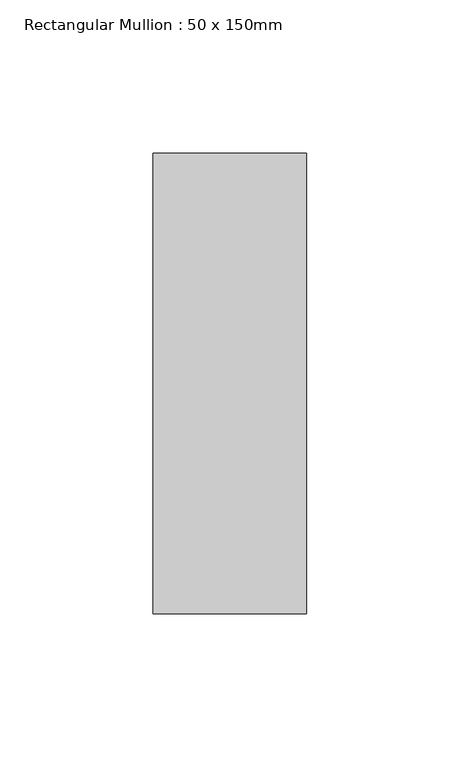
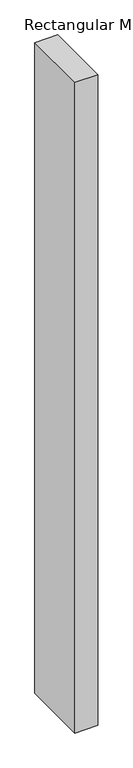
"""IFC4 building model written with IfcOpenShell, lengths in millimetres: member geometry, Rectangular Mullion : 50 x 150mm."""

from ifc_helpers import new_model, si_unit, frame, origin, place, context, project, spatial, polyline, outline, extrude, source, transform, mapped, element, save


def rectangular_mullion_50_x_150mm_821e4662(model_context):
    return source(origin(), model_context, "Body", "SweptSolid", [
        extrude(outline(polyline([(25.0, 75.0), (25.0, -75.0), (-25.0, -75.0), (-25.0, 75.0), (25.0, 75.0)])), frame((0.0, 0.0, -1491.7121727), z_axis=(0.0, 0.0, 1.0), x_axis=(1.0, 0.0, 0.0)), (0.0, 0.0, 1.0), 1491.7121727),
    ])


if __name__ == "__main__":
    model = new_model("IFC4")
    model_context = context("Model", 3, world=origin())
    ifc_project = project(units=[si_unit("LENGTHUNIT", "METRE", prefix="MILLI")], contexts=[model_context])
    site = spatial("IfcSite", under=ifc_project)
    building = spatial("IfcBuilding", under=site)
    placement = place(None, origin())
    rectangular_mullion_50_x_150mm_shape = rectangular_mullion_50_x_150mm_821e4662(model_context)
    element("IfcMember", 1, ObjectType="Rectangular Mullion : 50 x 150mm", at=placement, inside=building, context=model_context, shape_type="MappedRepresentation", body=[
        mapped(rectangular_mullion_50_x_150mm_shape, transform((0.0, 0.0, 0.0), x_axis=(1.0, 0.0, 0.0), y_axis=(0.0, 1.0, 0.0), z_axis=(0.0, 0.0, 1.0))),
    ])
    save(model, "model.ifc")
